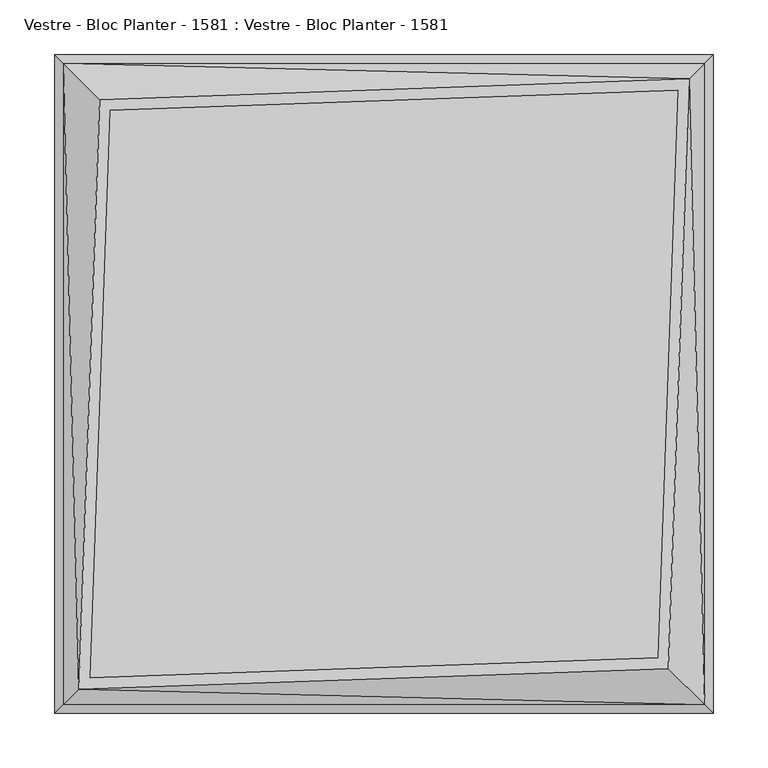
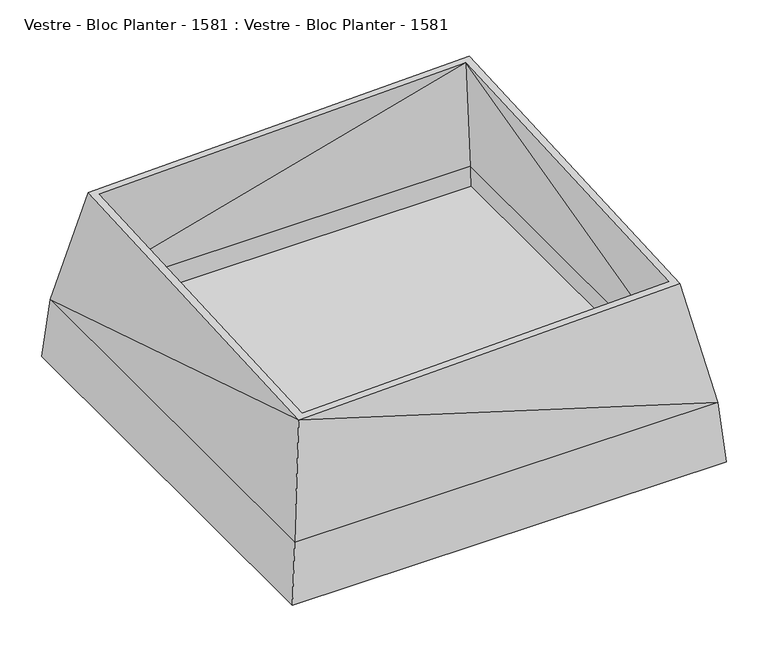
"""IFC4 building model written with IfcOpenShell, lengths in millimetres: furniture geometry, Vestre - Bloc Planter - 1581 : Vestre - Bloc Planter - 1581."""

from ifc_helpers import new_model, si_unit, frame, origin, place, context, project, spatial, polyline, circle_curve, outline, extrude, source, transform, mapped, element, save
from ifc_brep_helpers import plane_surface, cylinder_surface, revolved_surface, advanced_brep


def vestre_bloc_planter_1581_vestre_bloc_planter_1581_5e458a32(model_context):
    return source(origin(), model_context, "Body", "SolidModel", [
        extrude(outline(polyline([(-287.4997733, -287.5304424), (-287.4997733, 287.5953511), (287.5002267, 287.5953511), (287.5002267, -287.5304424), (-287.4997733, -287.5304424)]), holes=[polyline([(-237.6255668, -237.656236), (237.6260203, -237.656236), (237.6260203, 237.5953511), (-237.6255668, 237.5953511), (-237.6255668, -237.656236)])]), frame((0.0, 0.0, 62.0), z_axis=(0.0, 0.0, 1.0), x_axis=(1.0, 0.0, 0.0)), (0.0, 0.0, 1.0), 8.0),
        extrude(outline(polyline([(287.5002267, 287.5953511), (287.5002267, -287.5304424), (-287.4997733, -287.5304424), (-287.4997733, 287.5953511), (287.5002267, 287.5953511)])), frame((0.0, 0.0, 70.0), z_axis=(0.0, 0.0, 1.0), x_axis=(1.0, 0.0, 0.0)), (0.0, 0.0, 1.0), 3.0),
        advanced_brep(
        [(-300.0, -300.0, 20.0), (-300.0, 300.0, 20.0), (300.0, 300.0, 20.0), (300.0, -300.0, 20.0), (-290.0, -192.2070659, 20.0), (-290.0, -290.0, 20.0), (-192.2070659, -290.0, 20.0), (-223.4104155, -258.7966504, 20.0), (-217.7535612, -253.1397962, 20.0), (-180.8933574, -290.0, 20.0), (180.8933574, -290.0, 20.0), (217.7535612, -253.1397962, 20.0), (223.4104155, -258.7966504, 20.0), (192.2070659, -290.0, 20.0), (290.0, -290.0, 20.0), (290.0, -192.2070659, 20.0), (258.7657546, -223.4413114, 20.0), (253.1089003, -217.7844571, 20.0), (290.0, -180.8933574, 20.0), (290.0, 180.8933574, 20.0), (253.1089003, 217.7844571, 20.0), (258.7657546, 223.4413114, 20.0), (290.0, 192.2070659, 20.0), (290.0, 290.0, 20.0), (192.2070659, 290.0, 20.0), (223.4104155, 258.7966504, 20.0), (217.7535612, 253.1397962, 20.0), (180.8933574, 290.0, 20.0), (-180.8933574, 290.0, 20.0), (-217.7535612, 253.1397962, 20.0), (-223.4104155, 258.7966504, 20.0), (-192.2070659, 290.0, 20.0), (-290.0, 290.0, 20.0), (-290.0, 192.2070659, 20.0), (-258.7657546, 223.4413114, 20.0), (-253.1089003, 217.7844571, 20.0), (-290.0, 180.8933574, 20.0), (-290.0, -180.8933574, 20.0), (-253.1089003, -217.7844571, 20.0), (-258.7657546, -223.4413114, 20.0), (292.5, -292.5, 105.2), (-292.5, -292.5, 105.2), (292.5, 292.5, 105.2), (-292.5, 292.5, 105.2), (278.1278341, 278.1278341, 270.6972459), (-259.3014907, 259.2230621, 270.6972459), (-278.1278341, -278.1278341, 270.6972459), (259.2974103, -259.360531, 270.6972459), (-267.7584437, -267.7596316, 270.6972459), (-249.6340122, 249.5569432, 270.6972459), (267.7583623, 267.7568896, 270.6972459), (249.6300026, -249.6920289, 270.6972459), (282.5, 282.5, 105.2457998), (-282.5, 282.5, 105.2457998), (282.5, -282.5, 105.2457998), (-282.5, -282.5, 105.2457998), (-286.3028169, -195.904249, 62.0), (-286.3028169, -184.5905405, 62.0), (-286.3028169, 184.5905405, 62.0), (-286.3028169, 195.904249, 62.0), (195.904249, -286.3028169, 62.0), (184.5905405, -286.3028169, 62.0), (-184.5905405, -286.3028169, 62.0), (-195.904249, -286.3028169, 62.0), (286.3028169, 195.904249, 62.0), (286.3028169, 184.5905405, 62.0), (286.3028169, -184.5905405, 62.0), (286.3028169, -195.904249, 62.0), (-195.904249, 286.3028169, 62.0), (-184.5905405, 286.3028169, 62.0), (184.5905405, 286.3028169, 62.0), (195.904249, 286.3028169, 62.0), (-217.7535612, -253.1397962, 8.9892518), (-253.1089003, -217.7844571, 8.9892518), (-258.7657546, -223.4413114, 8.9991387), (-223.4104155, -258.7966504, 8.9991387), (-217.0470635, -252.4332984, 0.0), (-182.3982222, -217.7844571, 0.0), (-182.3982222, -217.7844571, 8.0), (-217.0540546, -252.4402895, 8.0), (-252.4093937, -217.0849505, 8.0), (-217.7535612, -182.4291181, 8.0), (-217.7535612, -182.4291181, 0.0), (-252.4024026, -217.0779594, 0.0), (253.1089003, -217.7844571, 8.9892518), (217.7535612, -253.1397962, 8.9892518), (223.4104155, -258.7966504, 8.9991387), (258.7657546, -223.4413114, 8.9991387), (217.7535612, 253.1397962, 8.9892518), (253.1089003, 217.7844571, 8.9892518), (258.7657546, 223.4413114, 8.9991387), (223.4104155, 258.7966504, 8.9991387), (-253.1089003, 217.7844571, 8.9892518), (-217.7535612, 253.1397962, 8.9892518), (-223.4104155, 258.7966504, 8.9991387), (-258.7657546, 223.4413114, 8.9991387), (-217.0540546, 252.4402895, 8.0), (-182.3982222, 217.7844571, 8.0), (-182.3982222, 217.7844571, 0.0), (-217.0470635, 252.4332984, 0.0), (-252.4024026, 217.0779594, 0.0), (-217.7535612, 182.4291181, 0.0), (-217.7535612, 182.4291181, 8.0), (-252.4093937, 217.0849505, 8.0), (217.0540546, -252.4402895, 8.0), (182.3982222, -217.7844571, 8.0), (182.3982222, -217.7844571, 0.0), (217.0470635, -252.4332984, 0.0), (252.4024026, -217.0779594, 0.0), (217.7535612, -182.4291181, 0.0), (217.7535612, -182.4291181, 8.0), (252.4093937, -217.0849505, 8.0), (217.0470635, 252.4332984, 0.0), (182.3982222, 217.7844571, 0.0), (182.3982222, 217.7844571, 8.0), (217.0540546, 252.4402895, 8.0), (252.4093937, 217.0849505, 8.0), (217.7535612, 182.4291181, 8.0), (217.7535612, 182.4291181, 0.0), (252.4024026, 217.0779594, 0.0)],
        [
            (0, 1),
            (1, 2),
            (2, 3),
            (3, 0),
            (4, 5),
            (5, 6),
            (6, 7),
            (7, 8),
            (8, 9),
            (9, 10),
            (10, 11),
            (11, 12),
            (12, 13),
            (13, 14),
            (14, 15),
            (15, 16),
            (16, 17),
            (17, 18),
            (18, 19),
            (19, 20),
            (20, 21),
            (21, 22),
            (22, 23),
            (23, 24),
            (24, 25),
            (25, 26),
            (26, 27),
            (27, 28),
            (28, 29),
            (29, 30),
            (30, 31),
            (31, 32),
            (32, 33),
            (33, 34),
            (34, 35),
            (35, 36),
            (36, 37),
            (37, 38),
            (38, 39),
            (39, 4),
            (3, 40),
            (40, 41),
            (41, 0),
            (2, 42),
            (42, 40),
            (1, 43),
            (43, 42),
            (41, 43),
            (44, 45),
            (45, 46),
            (46, 47),
            (47, 44),
            (48, 49),
            (49, 50),
            (50, 51),
            (51, 48),
            (46, 40),
            (40, 47),
            (40, 44),
            (44, 43),
            (43, 45),
            (43, 46),
            (52, 50),
            (50, 53),
            (53, 52),
            (48, 53),
            (53, 49),
            (51, 54),
            (54, 48),
            (48, 55),
            (55, 53),
            (54, 55),
            (50, 54),
            (52, 54),
            (32, 53),
            (55, 5),
            (4, 56),
            (56, 57),
            (57, 37),
            (36, 58),
            (58, 59),
            (59, 33),
            (54, 14),
            (13, 60),
            (60, 61),
            (61, 10),
            (9, 62),
            (62, 63),
            (63, 6),
            (52, 23),
            (22, 64),
            (64, 65),
            (65, 19),
            (18, 66),
            (66, 67),
            (67, 15),
            (31, 68),
            (68, 69),
            (69, 28),
            (27, 70),
            (70, 71),
            (71, 24),
            (44, 42),
            (41, 46),
            (62, 57),
            (56, 63),
            (8, 72),
            (72, 73),
            (73, 38),
            (39, 74),
            (74, 75),
            (75, 7),
            (75, 76, circle_curve(frame((-217.0470635, -252.4332984, 8.9991387), z_axis=(0.7071067811863656, -0.7071067811867294, 0.0), x_axis=(0.0, 0.0, 1.0)), 8.9991387)),
            (76, 77),
            (77, 78),
            (78, 79),
            (79, 72, circle_curve(frame((-217.0540546, -252.4402895, 8.9892518), z_axis=(-0.7071067811863656, 0.7071067811867294, 0.0), x_axis=(0.0, 0.0, 1.0)), 0.9892518)),
            (73, 80, circle_curve(frame((-252.4093937, -217.0849505, 8.9892518), z_axis=(0.7071067811863656, -0.7071067811867294, 0.0), x_axis=(0.0, 0.0, 1.0)), 0.9892518)),
            (80, 81),
            (81, 82),
            (82, 83),
            (83, 74, circle_curve(frame((-252.4024026, -217.0779594, 8.9991387), z_axis=(-0.7071067811863656, 0.7071067811867294, 0.0), x_axis=(0.0, 0.0, 1.0)), 8.9991387)),
            (83, 76),
            (82, 77),
            (81, 78),
            (80, 79),
            (60, 67),
            (66, 61),
            (17, 84),
            (84, 85),
            (85, 11),
            (12, 86),
            (86, 87),
            (87, 16),
            (70, 65),
            (64, 71),
            (26, 88),
            (88, 89),
            (89, 20),
            (21, 90),
            (90, 91),
            (91, 25),
            (68, 59),
            (58, 69),
            (35, 92),
            (92, 93),
            (93, 29),
            (30, 94),
            (94, 95),
            (95, 34),
            (93, 96, circle_curve(frame((-217.0540546, 252.4402895, 8.9892518), z_axis=(-0.7071067811863656, -0.7071067811867294, 0.0), x_axis=(0.0, 0.0, 1.0)), 0.9892518)),
            (96, 97),
            (97, 98),
            (98, 99),
            (99, 94, circle_curve(frame((-217.0470635, 252.4332984, 8.9991387), z_axis=(0.7071067811863656, 0.7071067811867294, 0.0), x_axis=(0.0, 0.0, 1.0)), 8.9991387)),
            (95, 100, circle_curve(frame((-252.4024026, 217.0779594, 8.9991387), z_axis=(-0.7071067811863656, -0.7071067811867294, 0.0), x_axis=(0.0, 0.0, 1.0)), 8.9991387)),
            (100, 101),
            (101, 102),
            (102, 103),
            (103, 92, circle_curve(frame((-252.4093937, 217.0849505, 8.9892518), z_axis=(0.7071067811863656, 0.7071067811867294, 0.0), x_axis=(0.0, 0.0, 1.0)), 0.9892518)),
            (99, 100),
            (98, 101),
            (97, 102),
            (96, 103),
            (85, 104, circle_curve(frame((217.0540546, -252.4402895, 8.9892518), z_axis=(0.7071067811863656, 0.7071067811867294, 0.0), x_axis=(0.0, 0.0, 1.0)), 0.9892518)),
            (104, 105),
            (105, 106),
            (106, 107),
            (107, 86, circle_curve(frame((217.0470635, -252.4332984, 8.9991387), z_axis=(-0.7071067811863656, -0.7071067811867294, 0.0), x_axis=(0.0, 0.0, 1.0)), 8.9991387)),
            (87, 108, circle_curve(frame((252.4024026, -217.0779594, 8.9991387), z_axis=(0.7071067811863656, 0.7071067811867294, 0.0), x_axis=(0.0, 0.0, 1.0)), 8.9991387)),
            (108, 109),
            (109, 110),
            (110, 111),
            (111, 84, circle_curve(frame((252.4093937, -217.0849505, 8.9892518), z_axis=(-0.7071067811863656, -0.7071067811867294, 0.0), x_axis=(0.0, 0.0, 1.0)), 0.9892518)),
            (107, 108),
            (106, 109),
            (105, 110),
            (104, 111),
            (91, 112, circle_curve(frame((217.0470635, 252.4332984, 8.9991387), z_axis=(-0.7071067811863656, 0.7071067811867294, 0.0), x_axis=(0.0, 0.0, 1.0)), 8.9991387)),
            (112, 113),
            (113, 114),
            (114, 115),
            (115, 88, circle_curve(frame((217.0540546, 252.4402895, 8.9892518), z_axis=(0.7071067811863656, -0.7071067811867294, 0.0), x_axis=(0.0, 0.0, 1.0)), 0.9892518)),
            (89, 116, circle_curve(frame((252.4093937, 217.0849505, 8.9892518), z_axis=(-0.7071067811863656, 0.7071067811867294, 0.0), x_axis=(0.0, 0.0, 1.0)), 0.9892518)),
            (116, 117),
            (117, 118),
            (118, 119),
            (119, 90, circle_curve(frame((252.4024026, 217.0779594, 8.9991387), z_axis=(0.7071067811863656, -0.7071067811867294, 0.0), x_axis=(0.0, 0.0, 1.0)), 8.9991387)),
            (119, 112),
            (118, 113),
            (117, 114),
            (116, 115),
        ],
        [
            plane_surface(frame((0.0, 0.0, 20.0), z_axis=(0.0, 0.0, -1.0), x_axis=(-1.0, 0.0, 0.0))),
            plane_surface(frame((0.0, -300.0, 20.0), z_axis=(0.0, -0.9961478936882717, 0.08768907514861608), x_axis=(1.0, 0.0, 0.0))),
            plane_surface(frame((300.0, 0.0, 20.0), z_axis=(0.9961478936882718, 0.0, 0.0876890751486153), x_axis=(0.0, 1.0, 0.0))),
            plane_surface(frame((0.0, 300.0, 20.0), z_axis=(0.0, 0.9961478936882718, 0.0876890751486153), x_axis=(-1.0, 0.0, 0.0))),
            plane_surface(frame((-300.0, 0.0, 20.0), z_axis=(-0.9961478936882718, 0.0, 0.0876890751486153), x_axis=(0.0, -1.0, 0.0))),
            plane_surface(frame((-0.0010201, -0.0343672, 270.6972459), z_axis=(0.0, 0.0, 1.0), x_axis=(0.03501262451242776, 0.9993868700982377, 0.0))),
            plane_surface(frame((292.5, -292.5, 105.2457998), z_axis=(0.03417378071062205, -0.9786090400641867, 0.20287064700590246), x_axis=(0.9993908270190958, 0.03489949670250104, 0.0))),
            plane_surface(frame((292.5, -292.5, 105.2457998), z_axis=(0.9785293203340364, -0.03428189892457661, 0.20323661248095604), x_axis=(0.03501262451242776, 0.9993868700982377, 0.0))),
            plane_surface(frame((-292.5, 292.5, 105.2457998), z_axis=(-0.03441751028806572, 0.9784291131506576, 0.2036956197977483), x_axis=(-0.9993818877318187, -0.0351545512499689, 0.0))),
            plane_surface(frame((-292.5, 292.5, 105.2457998), z_axis=(-0.9785283564043937, 0.03428320496921996, 0.20324103318364276), x_axis=(-0.03501399120969255, -0.9993868222162866, 0.0))),
            plane_surface(frame((0.0, 282.5, 105.2457998), z_axis=(0.0, -0.9960533360535415, -0.08875669967169136), x_axis=(-1.0, 0.0, 0.0))),
            plane_surface(frame((-282.5, 282.5, 105.2457998), z_axis=(0.9789314542431133, -0.034297327693142074, -0.20128810498033098), x_axis=(-0.035013991209692535, -0.9993868222162866, 0.0))),
            plane_surface(frame((282.5, -282.5, 105.2457998), z_axis=(-0.034187788718858046, 0.9790101769360219, -0.20092353908443394), x_axis=(0.9993908270190958, 0.03489949670250104, 0.0))),
            plane_surface(frame((-282.5, 0.0, 105.2457998), z_axis=(0.996054163145077, 0.0, -0.08874741732219783), x_axis=(0.0, -1.0, 0.0))),
            plane_surface(frame((0.0, -282.5, 105.2457998), z_axis=(0.0, 0.996054795283944, -0.08874032224338829), x_axis=(1.0, 0.0, 0.0))),
            plane_surface(frame((282.5, -282.5, 105.2457998), z_axis=(-0.9789323947436813, 0.03429602027575473, -0.2012837537275336), x_axis=(0.03501262451242775, 0.9993868700982377, 0.0))),
            plane_surface(frame((-282.5, 282.5, 105.2457998), z_axis=(0.03443177463404437, -0.9788346233479017, -0.20173555222350414), x_axis=(-0.9993818877318187, -0.0351545512499689, 0.0))),
            plane_surface(frame((282.5, 0.0, 105.2457998), z_axis=(-0.9960541198327189, 0.0, -0.08874790343589993), x_axis=(0.0, 1.0, 0.0))),
            plane_surface(frame((-290.0, 0.0, 20.0), z_axis=(0.9961478936882718, 0.0, -0.0876890751486153), x_axis=(0.0, -1.0, 0.0))),
            plane_surface(frame((0.0, -290.0, 20.0), z_axis=(0.0, 0.9961478936882717, -0.08768907514861608), x_axis=(1.0, 0.0, 0.0))),
            plane_surface(frame((290.0, 0.0, 20.0), z_axis=(-0.9961478936882718, 0.0, -0.0876890751486153), x_axis=(0.0, 1.0, 0.0))),
            plane_surface(frame((0.0, 290.0, 20.0), z_axis=(0.0, -0.9961478936882718, -0.0876890751486153), x_axis=(-1.0, 0.0, 0.0))),
            plane_surface(frame((0.0, 292.5, 105.2457998), z_axis=(0.0, 0.996248335809155, 0.08654047259802371), x_axis=(-1.0, 0.0, 0.0))),
            plane_surface(frame((-292.5, 0.0, 105.2457998), z_axis=(-0.9962483358091578, 0.0, 0.08654047259799116), x_axis=(0.0, -1.0, 0.0))),
            plane_surface(frame((0.0, -292.5, 105.2457998), z_axis=(0.0, -0.9962483358091565, 0.08654047259800551), x_axis=(1.0, 0.0, 0.0))),
            plane_surface(frame((292.5, 0.0, 105.2457998), z_axis=(0.9962483358091487, 0.0, 0.08654047259809469), x_axis=(0.0, 1.0, 0.0))),
            plane_surface(frame((-178.8626883, -292.0306691, 62.0), z_axis=(0.0, 0.0, 1.0), x_axis=(0.999993509692954, -0.0036028560848389473, 0.0))),
            plane_surface(frame((-178.8626883, -292.0306691, 62.0), z_axis=(0.7071067811865536, 0.7071067811865416, 0.0), x_axis=(0.0, 0.0, -1.0))),
            plane_surface(frame((-291.958864, -190.248202, 62.0), z_axis=(-0.7071067811865542, -0.7071067811865409, 0.0), x_axis=(0.0, 0.0, -1.0))),
            plane_surface(frame((-217.0470635, -252.4332984, 17.9982774), z_axis=(0.7071067811863656, -0.7071067811867294, 0.0), x_axis=(-0.7071067811867294, -0.7071067811863656, 0.0))),
            plane_surface(frame((-252.4024026, -217.0779594, 17.9982774), z_axis=(-0.7071067811863656, 0.7071067811867294, 0.0), x_axis=(0.7071067811867294, 0.7071067811863656, 0.0))),
            cylinder_surface(frame((-252.4024026, -217.0779594, 8.9991387), z_axis=(0.7071067811863656, -0.7071067811867294, 0.0), x_axis=(0.0, 0.0, 1.0)), 8.9991387),
            plane_surface(frame((-217.0470635, -252.4332984, 0.0), z_axis=(0.0, 0.0, -1.0000000000000002), x_axis=(-0.7071067811863655, 0.7071067811867296, 0.0))),
            plane_surface(frame((-182.3982222, -217.7844571, 0.0), z_axis=(0.7071067811867296, 0.7071067811863655, 0.0), x_axis=(-0.7071067811863655, 0.7071067811867296, 0.0))),
            plane_surface(frame((-182.3982222, -217.7844571, 8.0), z_axis=(0.0, 0.0, 1.0000000000000002), x_axis=(-0.7071067811863658, 0.7071067811867293, 0.0))),
            revolved_surface(polyline([(-252.4093937, -217.0849505, 9.9785036), (-217.05405460000893, -252.44028960000927, 9.9785036)]), (-252.4093937, -217.0849505, 8.9892518), (-0.7071067811863656, 0.7071067811867294, 0.0)),
            plane_surface(frame((291.958864, -190.248202, 62.0), z_axis=(0.0, 0.0, 1.0), x_axis=(0.7071067811865409, 0.7071067811865542, 0.0))),
            plane_surface(frame((291.9997733, -178.8935842, 62.0), z_axis=(-0.7071067811865536, 0.7071067811865416, 0.0), x_axis=(0.0, 0.0, -1.0))),
            plane_surface(frame((190.2173061, -291.9897598, 62.0), z_axis=(0.7071067811865542, -0.7071067811865409, 0.0), x_axis=(0.0, 0.0, -1.0))),
            plane_surface(frame((178.8626883, 292.0306691, 62.0), z_axis=(0.0, 0.0, 1.0), x_axis=(-0.999993509692954, 0.0036028560848389473, 0.0))),
            plane_surface(frame((178.8626883, 292.0306691, 62.0), z_axis=(-0.7071067811865536, -0.7071067811865416, 0.0), x_axis=(0.0, 0.0, -1.0))),
            plane_surface(frame((291.958864, 190.248202, 62.0), z_axis=(0.7071067811865542, 0.7071067811865409, 0.0), x_axis=(0.0, 0.0, -1.0))),
            plane_surface(frame((-291.958864, 190.248202, 62.0), z_axis=(0.0, 0.0, 1.0), x_axis=(-0.7071067811865409, -0.7071067811865542, 0.0))),
            plane_surface(frame((-291.9997733, 178.8935842, 62.0), z_axis=(0.7071067811865536, -0.7071067811865416, 0.0), x_axis=(0.0, 0.0, -1.0))),
            plane_surface(frame((-190.2173061, 291.9897598, 62.0), z_axis=(-0.7071067811865542, 0.7071067811865409, 0.0), x_axis=(0.0, 0.0, -1.0))),
            plane_surface(frame((-223.4104155, 258.7966504, 20.0), z_axis=(0.7071067811863656, 0.7071067811867294, 0.0), x_axis=(0.0, 0.0, 1.0))),
            plane_surface(frame((-258.7657546, 223.4413114, 20.0), z_axis=(-0.7071067811863656, -0.7071067811867294, 0.0), x_axis=(0.0, 0.0, -1.0))),
            cylinder_surface(frame((-252.4024026, 217.0779594, 8.9991387), z_axis=(0.7071067811863656, 0.7071067811867294, 0.0), x_axis=(0.0, 0.0, 1.0)), 8.9991387),
            plane_surface(frame((-182.3982222, 217.7844571, 0.0), z_axis=(0.0, 0.0, -1.0000000000000002), x_axis=(-0.7071067811863655, -0.7071067811867296, 0.0))),
            plane_surface(frame((-182.3982222, 217.7844571, 8.0), z_axis=(0.7071067811867292, -0.7071067811863658, 0.0), x_axis=(-0.7071067811863658, -0.7071067811867292, 0.0))),
            plane_surface(frame((-217.0540546, 252.4402895, 8.0), z_axis=(0.0, 0.0, 1.0000000000000002), x_axis=(-0.7071067811863655, -0.7071067811867296, 0.0))),
            revolved_surface(polyline([(-252.4093937, 217.0849505, 9.9785036), (-217.05405460000893, 252.44028960000927, 9.9785036)]), (-252.4093937, 217.0849505, 8.9892518), (-0.7071067811863656, -0.7071067811867294, 0.0)),
            plane_surface(frame((223.4104155, -258.7966504, 20.0), z_axis=(-0.7071067811863656, -0.7071067811867294, 0.0), x_axis=(0.0, 0.0, 1.0))),
            plane_surface(frame((258.7657546, -223.4413114, 20.0), z_axis=(0.7071067811863656, 0.7071067811867294, 0.0), x_axis=(0.0, 0.0, -1.0))),
            cylinder_surface(frame((252.4024026, -217.0779594, 8.9991387), z_axis=(-0.7071067811863656, -0.7071067811867294, 0.0), x_axis=(0.0, 0.0, 1.0)), 8.9991387),
            plane_surface(frame((182.3982222, -217.7844571, 0.0), z_axis=(0.0, 0.0, -1.0000000000000002), x_axis=(0.7071067811863655, 0.7071067811867296, 0.0))),
            plane_surface(frame((182.3982222, -217.7844571, 8.0), z_axis=(-0.7071067811867292, 0.7071067811863658, 0.0), x_axis=(0.7071067811863658, 0.7071067811867292, 0.0))),
            plane_surface(frame((217.0540546, -252.4402895, 8.0), z_axis=(0.0, 0.0, 1.0000000000000002), x_axis=(0.7071067811863655, 0.7071067811867296, 0.0))),
            revolved_surface(polyline([(252.4093937, -217.0849505, 9.9785036), (217.05405460000893, -252.44028960000927, 9.9785036)]), (252.4093937, -217.0849505, 8.9892518), (0.7071067811863656, 0.7071067811867294, 0.0)),
            plane_surface(frame((217.0470635, 252.4332984, 17.9982774), z_axis=(-0.7071067811863656, 0.7071067811867294, 0.0), x_axis=(0.7071067811867294, 0.7071067811863656, 0.0))),
            plane_surface(frame((252.4024026, 217.0779594, 17.9982774), z_axis=(0.7071067811863656, -0.7071067811867294, 0.0), x_axis=(-0.7071067811867294, -0.7071067811863656, 0.0))),
            cylinder_surface(frame((252.4024026, 217.0779594, 8.9991387), z_axis=(-0.7071067811863656, 0.7071067811867294, 0.0), x_axis=(0.0, 0.0, 1.0)), 8.9991387),
            plane_surface(frame((217.0470635, 252.4332984, 0.0), z_axis=(0.0, 0.0, -1.0000000000000002), x_axis=(0.7071067811863655, -0.7071067811867296, 0.0))),
            plane_surface(frame((182.3982222, 217.7844571, 0.0), z_axis=(-0.7071067811867296, -0.7071067811863655, 0.0), x_axis=(0.7071067811863655, -0.7071067811867296, 0.0))),
            plane_surface(frame((182.3982222, 217.7844571, 8.0), z_axis=(0.0, 0.0, 1.0000000000000002), x_axis=(0.7071067811863658, -0.7071067811867293, 0.0))),
            revolved_surface(polyline([(252.4093937, 217.0849505, 9.9785036), (217.05405460000893, 252.44028960000927, 9.9785036)]), (252.4093937, 217.0849505, 8.9892518), (0.7071067811863656, -0.7071067811867294, 0.0)),
        ],
        [
            (0, [[1, 2, 3, 4], [5, 6, 7, 8, 9, 10, 11, 12, 13, 14, 15, 16, 17, 18, 19, 20, 21, 22, 23, 24, 25, 26, 27, 28, 29, 30, 31, 32, 33, 34, 35, 36, 37, 38, 39, 40]]),
            (1, [[-4, 41, 42, 43]]),
            (2, [[-3, 44, 45, -41]]),
            (3, [[-2, 46, 47, -44]]),
            (4, [[-1, -43, 48, -46]]),
            (5, [[49, 50, 51, 52], [53, 54, 55, 56]]),
            (6, [[-51, 57, 58]]),
            (7, [[-52, -58, 59]]),
            (8, [[-49, 60, 61]]),
            (9, [[-50, -61, 62]]),
            (10, [[63, 64, 65]]),
            (11, [[66, 67, -53]]),
            (12, [[68, 69, -56]]),
            (13, [[-66, 70, 71]]),
            (14, [[-69, 72, -70]]),
            (15, [[-68, -55, 73]]),
            (16, [[-64, -54, -67]]),
            (17, [[-63, 74, -73]]),
            (18, [[75, -71, 76, -5, 77, 78, 79, -37, 80, 81, 82, -33]]),
            (19, [[-76, -72, 83, -14, 84, 85, 86, -10, 87, 88, 89, -6]]),
            (20, [[-83, -74, 90, -23, 91, 92, 93, -19, 94, 95, 96, -15]]),
            (21, [[-75, -32, 97, 98, 99, -28, 100, 101, 102, -24, -90, -65]]),
            (22, [[-60, 103, -47]]),
            (23, [[-62, -48, 104]]),
            (24, [[-57, -104, -42]]),
            (25, [[-59, -45, -103]]),
            (26, [[105, -78, 106, -88]]),
            (27, [[-105, -87, -9, 107, 108, 109, -38, -79]]),
            (28, [[-106, -77, -40, 110, 111, 112, -7, -89]]),
            (29, [[113, 114, 115, 116, 117, -107, -8, -112]]),
            (30, [[-110, -39, -109, 118, 119, 120, 121, 122]]),
            (31, [[-113, -111, -122, 123]]),
            (32, [[-114, -123, -121, 124]]),
            (33, [[-115, -124, -120, 125]]),
            (34, [[-116, -125, -119, 126]]),
            (35, [[-117, -126, -118, -108]]),
            (36, [[127, -95, 128, -85]]),
            (37, [[-128, -94, -18, 129, 130, 131, -11, -86]]),
            (38, [[-127, -84, -13, 132, 133, 134, -16, -96]]),
            (39, [[135, -92, 136, -101]]),
            (40, [[-135, -100, -27, 137, 138, 139, -20, -93]]),
            (41, [[-136, -91, -22, 140, 141, 142, -25, -102]]),
            (42, [[143, -81, 144, -98]]),
            (43, [[-144, -80, -36, 145, 146, 147, -29, -99]]),
            (44, [[-143, -97, -31, 148, 149, 150, -34, -82]]),
            (45, [[-148, -30, -147, 151, 152, 153, 154, 155]]),
            (46, [[156, 157, 158, 159, 160, -145, -35, -150]]),
            (47, [[-155, 161, -156, -149]]),
            (48, [[-154, 162, -157, -161]]),
            (49, [[-153, 163, -158, -162]]),
            (50, [[-152, 164, -159, -163]]),
            (51, [[-151, -146, -160, -164]]),
            (52, [[-132, -12, -131, 165, 166, 167, 168, 169]]),
            (53, [[170, 171, 172, 173, 174, -129, -17, -134]]),
            (54, [[-169, 175, -170, -133]]),
            (55, [[-168, 176, -171, -175]]),
            (56, [[-167, 177, -172, -176]]),
            (57, [[-166, 178, -173, -177]]),
            (58, [[-165, -130, -174, -178]]),
            (59, [[179, 180, 181, 182, 183, -137, -26, -142]]),
            (60, [[-140, -21, -139, 184, 185, 186, 187, 188]]),
            (61, [[-179, -141, -188, 189]]),
            (62, [[-180, -189, -187, 190]]),
            (63, [[-181, -190, -186, 191]]),
            (64, [[-182, -191, -185, 192]]),
            (65, [[-183, -192, -184, -138]]),
        ],
    ),
    ])


if __name__ == "__main__":
    model = new_model("IFC4")
    model_context = context("Model", 3, world=origin())
    ifc_project = project(units=[si_unit("LENGTHUNIT", "METRE", prefix="MILLI")], contexts=[model_context])
    site = spatial("IfcSite", under=ifc_project)
    building = spatial("IfcBuilding", under=site)
    placement = place(None, origin())
    vestre_bloc_planter_1581_vestre_bloc_planter_1581_shape = vestre_bloc_planter_1581_vestre_bloc_planter_1581_5e458a32(model_context)
    element("IfcFurniture", 1, ObjectType="Vestre - Bloc Planter - 1581 : Vestre - Bloc Planter - 1581", at=placement, inside=building, context=model_context, shape_type="MappedRepresentation", body=[
        mapped(vestre_bloc_planter_1581_vestre_bloc_planter_1581_shape, transform((0.0, 0.0, 0.0), x_axis=(1.0, 0.0, 0.0), y_axis=(0.0, 1.0, 0.0), z_axis=(0.0, 0.0, 1.0))),
    ])
    save(model, "model.ifc")
